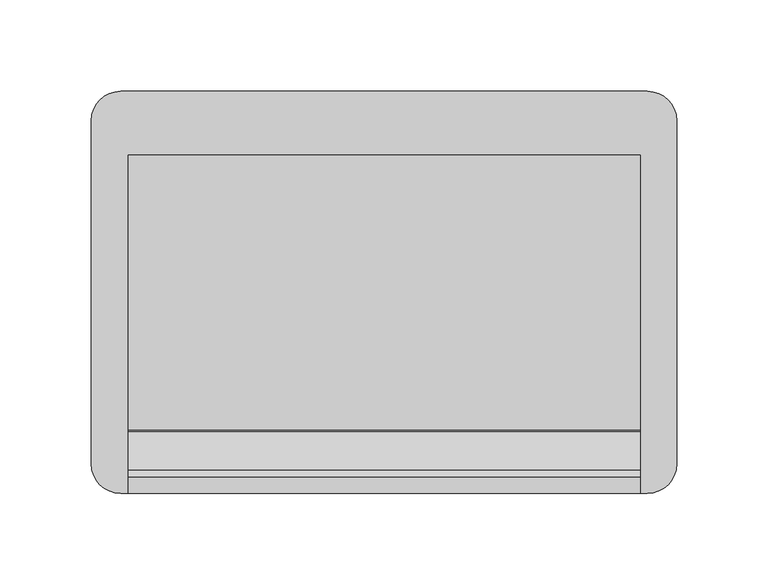
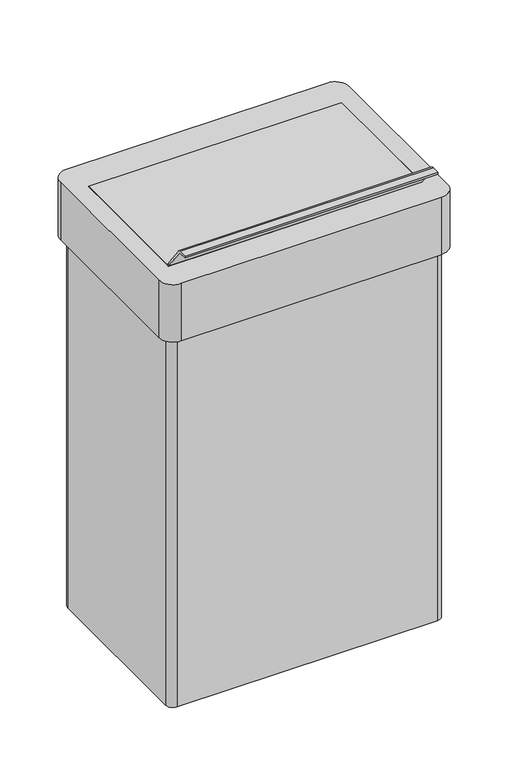
"""IFC4 building model written with IfcOpenShell, lengths in millimetres: furniture geometry."""

from ifc_helpers import new_model, si_unit, frame, origin, place, context, project, spatial, polyline, circle_curve, source, transform, mapped, element, save
from ifc_brep_helpers import plane_surface, cylinder_surface, revolved_surface, advanced_brep


def furniture_f2defaa2(model_context):
    return source(origin(), model_context, "Body", "AdvancedBrep", [
        advanced_brep(
        [(140.0, -75.3072648, 500.0), (140.0, -76.5105796, 500.6044368), (140.0, -97.5687013, 528.8989761), (140.0, -101.0333202, 530.639288), (140.0, -110.0, 530.639288), (140.0, -110.0, 528.476851), (140.0, -100.8638406, 528.4732053), (140.0, -99.3010108, 527.6097103), (140.0, -78.0583922, 499.1055379), (140.0, -75.0, 497.8405759), (140.0, 75.0, 497.8405759), (140.0, 75.0, 500.0), (-140.0, -75.3072648, 500.0), (-140.0, 75.0, 500.0), (-140.0, 75.0, 497.8405759), (-140.0, -75.0, 497.8405759), (-140.0, -78.0583922, 499.1055379), (-140.0, -99.2826839, 527.62335), (-140.0, -100.8638406, 528.4732053), (-140.0, -110.0, 528.476851), (-140.0, -110.0, 530.639288), (-140.0, -101.0333202, 530.639288), (-140.0, -97.5687013, 528.8989761), (-140.0, -76.5105796, 500.6044368)],
        [
            (0, 1, circle_curve(frame((140.0, -75.3072648, 501.5), z_axis=(-1.0, 0.0, 0.0), x_axis=(0.0, -1.0, 0.0)), 1.5)),
            (1, 2),
            (2, 3, circle_curve(frame((140.0, -101.0333202, 526.3204444), z_axis=(1.0, 0.0, 0.0), x_axis=(0.0, 1.0, 0.0)), 4.3188436)),
            (3, 4),
            (4, 5),
            (5, 6),
            (6, 7, circle_curve(frame((140.0, -101.0333202, 526.3204444), z_axis=(-1.0, 0.0, 0.0), x_axis=(0.0, 1.0, 0.0)), 2.1594218)),
            (7, 8),
            (8, 9, circle_curve(frame((140.0, -75.0, 502.1703073), z_axis=(1.0, 0.0, 0.0), x_axis=(0.0, 1.0, 0.0)), 4.3297315)),
            (9, 10),
            (10, 11),
            (11, 0),
            (12, 13),
            (13, 14),
            (14, 15),
            (15, 16, circle_curve(frame((-140.0, -75.0, 502.1703073), z_axis=(-1.0, 0.0, 0.0), x_axis=(0.0, 1.0, 0.0)), 4.3297315)),
            (16, 17),
            (17, 18, circle_curve(frame((-140.0, -101.0333202, 526.3204444), z_axis=(1.0, 0.0, 0.0), x_axis=(0.0, 1.0, 0.0)), 2.1594218)),
            (18, 19),
            (19, 20),
            (20, 21),
            (21, 22, circle_curve(frame((-140.0, -101.0333202, 526.3204444), z_axis=(-1.0, 0.0, 0.0), x_axis=(0.0, 1.0, 0.0)), 4.3188436)),
            (22, 23),
            (23, 12, circle_curve(frame((-140.0, -75.3072648, 501.5), z_axis=(1.0, 0.0, 0.0), x_axis=(0.0, -1.0, 0.0)), 1.5)),
            (2, 22),
            (21, 3),
            (20, 4),
            (19, 5),
            (18, 6),
            (17, 7),
            (8, 16),
            (15, 9),
            (14, 10),
            (13, 11),
            (12, 0),
            (1, 23),
        ],
        [
            plane_surface(frame((140.0, -76.8072648, 501.5), z_axis=(1.0, 0.0, 0.0), x_axis=(0.0, 0.0, 1.0))),
            plane_surface(frame((-140.0, -76.8072648, 501.5), z_axis=(-1.0, 0.0, 0.0), x_axis=(0.0, 0.0, -1.0))),
            cylinder_surface(frame((-140.0, -101.0333202, 526.3204444), z_axis=(1.0, 0.0, 0.0), x_axis=(0.0, 1.0, 0.0)), 4.3188436),
            plane_surface(frame((140.0, -101.0333202, 530.639288), z_axis=(0.0, 0.0, 1.0), x_axis=(-1.0, 0.0, 0.0))),
            plane_surface(frame((140.0, -110.0, 530.639288), z_axis=(0.0, -1.0, 0.0), x_axis=(-1.0, 0.0, 0.0))),
            plane_surface(frame((140.0, -110.0, 528.476851), z_axis=(0.0, -0.0003990411336996301, -0.9999999203830837), x_axis=(-1.0, 0.0, 0.0))),
            revolved_surface(polyline([(-140.0, -98.8738984, 526.3204444), (140.0, -98.8738984, 526.3204444)]), (-140.0, -101.0333202, 526.3204444), (-1.0, 0.0, 0.0)),
            cylinder_surface(frame((-140.0, -75.0, 502.1703073), z_axis=(1.0, 0.0, 0.0), x_axis=(0.0, 1.0, 0.0)), 4.3297315),
            plane_surface(frame((140.0, -75.0, 497.8405759), z_axis=(0.0, 0.0, -1.0), x_axis=(-1.0, 0.0, 0.0))),
            plane_surface(frame((140.0, 75.0, 497.8405759), z_axis=(0.0, 1.0, 0.0), x_axis=(-1.0, 0.0, 0.0))),
            plane_surface(frame((140.0, 75.0, 500.0), z_axis=(0.0, 0.0, 1.0), x_axis=(-1.0, 0.0, 0.0))),
            plane_surface(frame((140.0, -76.5105796, 500.6044368), z_axis=(0.0, 0.8022098610002094, 0.597042158405941), x_axis=(-1.0, 0.0, 0.0))),
            plane_surface(frame((140.0, -99.2826839, 527.62335), z_axis=(0.0, -0.802209861000212, -0.5970421584059376), x_axis=(-1.0, 0.0, 0.0))),
            revolved_surface(polyline([(-140.0, -76.8072648, 501.5), (140.0, -76.8072648, 501.5)]), (-140.0, -75.3072648, 501.5), (-1.0, 0.0, 0.0)),
        ],
        [
            (0, [[1, 2, 3, 4, 5, 6, 7, 8, 9, 10, 11, 12]]),
            (1, [[13, 14, 15, 16, 17, 18, 19, 20, 21, 22, 23, 24]]),
            (2, [[-3, 25, -22, 26]]),
            (3, [[-4, -26, -21, 27]]),
            (4, [[-5, -27, -20, 28]]),
            (5, [[-6, -28, -19, 29]]),
            (6, [[-7, -29, -18, 30]]),
            (7, [[-9, 31, -16, 32]]),
            (8, [[-10, -32, -15, 33]]),
            (9, [[-11, -33, -14, 34]]),
            (10, [[-12, -34, -13, 35]]),
            (11, [[-2, 36, -23, -25]]),
            (12, [[-8, -30, -17, -31]]),
            (13, [[-1, -35, -24, -36]]),
        ],
    ),
        advanced_brep(
        [(144.0, 110.0, 500.0), (-144.0, 110.0, 500.0), (-160.0, 94.0, 500.0), (-160.0, -94.0, 500.0), (-144.0, -110.0, 500.0), (144.0, -110.0, 500.0), (160.0, -94.0, 500.0), (160.0, 94.0, 500.0), (140.0, 75.0, 500.0), (140.0, -78.0583922, 500.0), (-140.0, -78.0583922, 500.0), (-140.0, 75.0, 500.0), (144.0, 110.0, 433.0), (160.0, 94.0, 433.0), (160.0, -94.0, 433.0), (144.0, -110.0, 433.0), (-144.0, -110.0, 433.0), (-160.0, -94.0, 433.0), (-160.0, 94.0, 433.0), (-144.0, 110.0, 433.0), (144.0, 94.0, 433.0), (-144.0, 94.0, 433.0), (-144.0, -94.0, 433.0), (144.0, -94.0, 433.0), (144.0, -94.0, 492.0), (144.0, 94.0, 492.0), (-144.0, -94.0, 492.0), (-144.0, 94.0, 492.0), (140.0, 75.0, 492.0), (-140.0, 75.0, 492.0), (-140.0, -78.0583922, 492.0), (140.0, -78.0583922, 492.0)],
        [
            (0, 1),
            (1, 2, circle_curve(frame((-144.0, 94.0, 500.0), z_axis=(0.0, 0.0, 1.0), x_axis=(1.0, 0.0, 0.0)), 16.0)),
            (2, 3),
            (3, 4, circle_curve(frame((-144.0, -94.0, 500.0), z_axis=(0.0, 0.0, 1.0), x_axis=(1.0, 0.0, 0.0)), 16.0)),
            (4, 5),
            (5, 6, circle_curve(frame((144.0, -94.0, 500.0), z_axis=(0.0, 0.0, 1.0), x_axis=(1.0, 0.0, 0.0)), 16.0)),
            (6, 7),
            (7, 0, circle_curve(frame((144.0, 94.0, 500.0), z_axis=(0.0, 0.0, 1.0), x_axis=(1.0, 0.0, 0.0)), 16.0)),
            (8, 9),
            (9, 10),
            (10, 11),
            (11, 8),
            (12, 13, circle_curve(frame((144.0, 94.0, 433.0), z_axis=(0.0, 0.0, -1.0), x_axis=(1.0, 0.0, 0.0)), 16.0)),
            (13, 14),
            (14, 15, circle_curve(frame((144.0, -94.0, 433.0), z_axis=(0.0, 0.0, -1.0), x_axis=(1.0, 0.0, 0.0)), 16.0)),
            (15, 16),
            (16, 17, circle_curve(frame((-144.0, -94.0, 433.0), z_axis=(0.0, 0.0, -1.0), x_axis=(1.0, 0.0, 0.0)), 16.0)),
            (17, 18),
            (18, 19, circle_curve(frame((-144.0, 94.0, 433.0), z_axis=(0.0, 0.0, -1.0), x_axis=(1.0, 0.0, 0.0)), 16.0)),
            (19, 12),
            (20, 21),
            (21, 22),
            (22, 23),
            (23, 20),
            (0, 12),
            (19, 1),
            (18, 2),
            (17, 3),
            (16, 4),
            (15, 5),
            (14, 6),
            (13, 7),
            (23, 24),
            (24, 25),
            (25, 20),
            (22, 26),
            (26, 24),
            (21, 27),
            (27, 26),
            (25, 27),
            (28, 29),
            (29, 30),
            (30, 31),
            (31, 28),
            (8, 28),
            (31, 9),
            (30, 10),
            (29, 11),
        ],
        [
            plane_surface(frame((144.0, 110.0, 500.0), z_axis=(0.0, 0.0, 1.0), x_axis=(-1.0, 0.0, 0.0))),
            plane_surface(frame((144.0, 110.0, 433.0), z_axis=(0.0, 0.0, -1.0), x_axis=(1.0, 0.0, 0.0))),
            plane_surface(frame((144.0, 110.0, 500.0), z_axis=(0.0, 1.0, 0.0), x_axis=(0.0, 0.0, -1.0))),
            cylinder_surface(frame((-144.0, 94.0, 433.0), z_axis=(0.0, 0.0, 1.0), x_axis=(1.0, 0.0, 0.0)), 16.0),
            plane_surface(frame((-160.0, 94.0, 500.0), z_axis=(-1.0, 0.0, 0.0), x_axis=(0.0, 0.0, -1.0))),
            cylinder_surface(frame((-144.0, -94.0, 433.0), z_axis=(0.0, 0.0, 1.0), x_axis=(1.0, 0.0, 0.0)), 16.0),
            plane_surface(frame((-144.0, -110.0, 500.0), z_axis=(0.0, -1.0, 0.0), x_axis=(0.0, 0.0, -1.0))),
            cylinder_surface(frame((144.0, -94.0, 433.0), z_axis=(0.0, 0.0, 1.0), x_axis=(1.0, 0.0, 0.0)), 16.0),
            plane_surface(frame((160.0, -94.0, 500.0), z_axis=(1.0, 0.0, 0.0), x_axis=(0.0, 0.0, -1.0))),
            cylinder_surface(frame((144.0, 94.0, 433.0), z_axis=(0.0, 0.0, 1.0), x_axis=(1.0, 0.0, 0.0)), 16.0),
            plane_surface(frame((144.0, 94.0, 500.0), z_axis=(-1.0, 0.0, 0.0), x_axis=(0.0, 0.0, -1.0))),
            plane_surface(frame((144.0, -94.0, 500.0), z_axis=(0.0, 1.0, 0.0), x_axis=(0.0, 0.0, -1.0))),
            plane_surface(frame((-144.0, -94.0, 500.0), z_axis=(1.0, 0.0, 0.0), x_axis=(0.0, 0.0, -1.0))),
            plane_surface(frame((-144.0, 94.0, 500.0), z_axis=(0.0, -1.0, 0.0), x_axis=(0.0, 0.0, -1.0))),
            plane_surface(frame((-144.0, 94.0, 492.0), z_axis=(0.0, 0.0, -1.0), x_axis=(1.0, 0.0, 0.0))),
            plane_surface(frame((140.0, 75.0, 500.0), z_axis=(-1.0, 0.0, 0.0), x_axis=(0.0, 0.0, -1.0))),
            plane_surface(frame((140.0, -78.0583922, 500.0), z_axis=(0.0, 1.0, 0.0), x_axis=(0.0, 0.0, -1.0))),
            plane_surface(frame((-140.0, -78.0583922, 500.0), z_axis=(1.0, 0.0, 0.0), x_axis=(0.0, 0.0, -1.0))),
            plane_surface(frame((-140.0, 75.0, 500.0), z_axis=(0.0, -1.0, 0.0), x_axis=(0.0, 0.0, -1.0))),
        ],
        [
            (0, [[1, 2, 3, 4, 5, 6, 7, 8], [9, 10, 11, 12]]),
            (1, [[13, 14, 15, 16, 17, 18, 19, 20], [21, 22, 23, 24]]),
            (2, [[-1, 25, -20, 26]]),
            (3, [[-2, -26, -19, 27]]),
            (4, [[-3, -27, -18, 28]]),
            (5, [[-4, -28, -17, 29]]),
            (6, [[-5, -29, -16, 30]]),
            (7, [[-6, -30, -15, 31]]),
            (8, [[-7, -31, -14, 32]]),
            (9, [[-8, -32, -13, -25]]),
            (10, [[-24, 33, 34, 35]]),
            (11, [[-23, 36, 37, -33]]),
            (12, [[-22, 38, 39, -36]]),
            (13, [[-21, -35, 40, -38]]),
            (14, [[-34, -37, -39, -40], [41, 42, 43, 44]]),
            (15, [[-9, 45, -44, 46]]),
            (16, [[-10, -46, -43, 47]]),
            (17, [[-11, -47, -42, 48]]),
            (18, [[-12, -48, -41, -45]]),
        ],
    ),
        advanced_brep(
        [(144.0, 102.0, 433.0), (-144.0, 102.0, 433.0), (-152.0, 94.0, 433.0), (-152.0, -94.0, 433.0), (-144.0, -102.0, 433.0), (144.0, -102.0, 433.0), (152.0, -94.0, 433.0), (152.0, 94.0, 433.0), (144.0, 94.0, 433.0), (144.0, -94.0, 433.0), (-144.0, -94.0, 433.0), (-144.0, 94.0, 433.0), (144.0, 102.0, 0.0), (152.0, 94.0, 0.0), (152.0, -94.0, 0.0), (144.0, -102.0, 0.0), (-144.0, -102.0, 0.0), (-152.0, -94.0, 0.0), (-152.0, 94.0, 0.0), (-144.0, 102.0, 0.0), (144.0, 94.0, 8.0), (144.0, -94.0, 8.0), (-144.0, -94.0, 8.0), (-144.0, 94.0, 8.0)],
        [
            (0, 1),
            (1, 2, circle_curve(frame((-144.0, 94.0, 433.0), z_axis=(0.0, 0.0, 1.0), x_axis=(1.0, 0.0, 0.0)), 8.0)),
            (2, 3),
            (3, 4, circle_curve(frame((-144.0, -94.0, 433.0), z_axis=(0.0, 0.0, 1.0), x_axis=(1.0, 0.0, 0.0)), 8.0)),
            (4, 5),
            (5, 6, circle_curve(frame((144.0, -94.0, 433.0), z_axis=(0.0, 0.0, 1.0), x_axis=(1.0, 0.0, 0.0)), 8.0)),
            (6, 7),
            (7, 0, circle_curve(frame((144.0, 94.0, 433.0), z_axis=(0.0, 0.0, 1.0), x_axis=(1.0, 0.0, 0.0)), 8.0)),
            (8, 9),
            (9, 10),
            (10, 11),
            (11, 8),
            (12, 13, circle_curve(frame((144.0, 94.0, 0.0), z_axis=(0.0, 0.0, -1.0), x_axis=(1.0, 0.0, 0.0)), 8.0)),
            (13, 14),
            (14, 15, circle_curve(frame((144.0, -94.0, 0.0), z_axis=(0.0, 0.0, -1.0), x_axis=(1.0, 0.0, 0.0)), 8.0)),
            (15, 16),
            (16, 17, circle_curve(frame((-144.0, -94.0, 0.0), z_axis=(0.0, 0.0, -1.0), x_axis=(1.0, 0.0, 0.0)), 8.0)),
            (17, 18),
            (18, 19, circle_curve(frame((-144.0, 94.0, 0.0), z_axis=(0.0, 0.0, -1.0), x_axis=(1.0, 0.0, 0.0)), 8.0)),
            (19, 12),
            (8, 20),
            (20, 21),
            (21, 9),
            (21, 22),
            (22, 10),
            (22, 23),
            (23, 11),
            (23, 20),
            (0, 12),
            (19, 1),
            (18, 2),
            (17, 3),
            (16, 4),
            (15, 5),
            (14, 6),
            (13, 7),
        ],
        [
            plane_surface(frame((144.0, 94.0, 433.0), z_axis=(0.0, 0.0, 1.0), x_axis=(0.0, -1.0, 0.0))),
            plane_surface(frame((144.0, 94.0, 0.0), z_axis=(0.0, 0.0, -1.0), x_axis=(0.0, 1.0, 0.0))),
            plane_surface(frame((144.0, 94.0, 433.0), z_axis=(-1.0, 0.0, 0.0), x_axis=(0.0, 0.0, -1.0))),
            plane_surface(frame((144.0, -94.0, 433.0), z_axis=(0.0, 1.0, 0.0), x_axis=(0.0, 0.0, -1.0))),
            plane_surface(frame((-144.0, -94.0, 433.0), z_axis=(1.0, 0.0, 0.0), x_axis=(0.0, 0.0, -1.0))),
            plane_surface(frame((-144.0, 94.0, 433.0), z_axis=(0.0, -1.0, 0.0), x_axis=(0.0, 0.0, -1.0))),
            plane_surface(frame((144.0, 102.0, 433.0), z_axis=(0.0, 1.0, 0.0), x_axis=(0.0, 0.0, -1.0))),
            cylinder_surface(frame((-144.0, 94.0, 0.0), z_axis=(0.0, 0.0, 1.0), x_axis=(1.0, 0.0, 0.0)), 8.0),
            plane_surface(frame((-152.0, 94.0, 433.0), z_axis=(-1.0, 0.0, 0.0), x_axis=(0.0, 0.0, -1.0))),
            cylinder_surface(frame((-144.0, -94.0, 0.0), z_axis=(0.0, 0.0, 1.0), x_axis=(1.0, 0.0, 0.0)), 8.0),
            plane_surface(frame((-144.0, -102.0, 433.0), z_axis=(0.0, -1.0, 0.0), x_axis=(0.0, 0.0, -1.0))),
            cylinder_surface(frame((144.0, -94.0, 0.0), z_axis=(0.0, 0.0, 1.0), x_axis=(1.0, 0.0, 0.0)), 8.0),
            plane_surface(frame((152.0, -94.0, 433.0), z_axis=(1.0, 0.0, 0.0), x_axis=(0.0, 0.0, -1.0))),
            cylinder_surface(frame((144.0, 94.0, 0.0), z_axis=(0.0, 0.0, 1.0), x_axis=(1.0, 0.0, 0.0)), 8.0),
            plane_surface(frame((-144.0, 94.0, 8.0), z_axis=(0.0, 0.0, 1.0), x_axis=(-1.0, 0.0, 0.0))),
        ],
        [
            (0, [[1, 2, 3, 4, 5, 6, 7, 8], [9, 10, 11, 12]]),
            (1, [[13, 14, 15, 16, 17, 18, 19, 20]]),
            (2, [[-9, 21, 22, 23]]),
            (3, [[-10, -23, 24, 25]]),
            (4, [[-11, -25, 26, 27]]),
            (5, [[-12, -27, 28, -21]]),
            (6, [[-1, 29, -20, 30]]),
            (7, [[-2, -30, -19, 31]]),
            (8, [[-3, -31, -18, 32]]),
            (9, [[-4, -32, -17, 33]]),
            (10, [[-5, -33, -16, 34]]),
            (11, [[-6, -34, -15, 35]]),
            (12, [[-7, -35, -14, 36]]),
            (13, [[-8, -36, -13, -29]]),
            (14, [[-22, -28, -26, -24]]),
        ],
    ),
    ])


if __name__ == "__main__":
    model = new_model("IFC4")
    model_context = context("Model", 3, world=origin())
    ifc_project = project(units=[si_unit("LENGTHUNIT", "METRE", prefix="MILLI")], contexts=[model_context])
    site = spatial("IfcSite", under=ifc_project)
    building = spatial("IfcBuilding", under=site)
    placement = place(None, origin())
    furniture_shape = furniture_f2defaa2(model_context)
    element("IfcFurniture", 1, at=placement, inside=building, context=model_context, shape_type="MappedRepresentation", body=[
        mapped(furniture_shape, transform((0.0, 0.0, 0.0), x_axis=(1.0, 0.0, 0.0), y_axis=(0.0, 1.0, 0.0), z_axis=(0.0, 0.0, 1.0))),
    ])
    save(model, "model.ifc")
